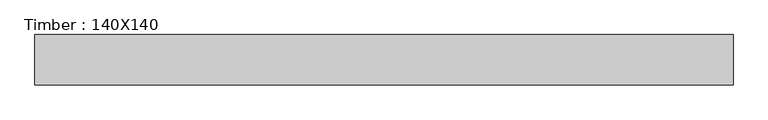
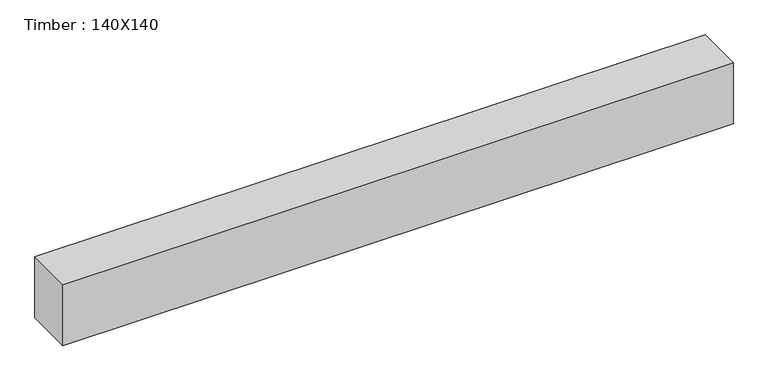
"""IFC4 building model written with IfcOpenShell, lengths in millimetres: beam geometry, Timber : 140X140."""

import ifcopenshell
import ifcopenshell.guid

model = None  # the IFC model being written
_history = None  # IfcOwnerHistory: only IFC2X3 demands one
_inside = {}  # id of a spatial element -> (the spatial element, [elements in it])
_under = {}  # id of a project, library or spatial element -> (it, [spatial elements below it])
_declared = {}  # id of a project -> (the project, [libraries it declares])
_typed = {}  # id of a type object -> (the type object, [elements of that type])
_made_of = {}  # id of a material, layer set ... -> (it, [elements and type objects made of it])


def new_model(schema):
    """Start an empty IFC model of exactly this schema.

    Asked for "IFC4X3", IfcOpenShell would pick the latest addendum, in which some entities
    have other attributes; the version numbers below select the first issue.
    IFC2X3 requires an IfcOwnerHistory on every rooted entity: one is made here for all.
    """
    global model, _history
    if schema == "IFC4X3":
        model = ifcopenshell.file(schema_version=(4, 3, 0, 0))
    else:
        model = ifcopenshell.file(schema=schema)
    _inside.clear()
    _under.clear()
    _declared.clear()
    _typed.clear()
    _made_of.clear()
    _history = None
    if model.schema == "IFC2X3":
        org = make("IfcOrganization", Name="unknown")
        user = make(
            "IfcPersonAndOrganization",
            ThePerson=make("IfcPerson", FamilyName="unknown"),
            TheOrganization=org,
        )
        app = make(
            "IfcApplication",
            ApplicationDeveloper=org,
            Version="unknown",
            ApplicationFullName="unknown",
            ApplicationIdentifier="unknown",
        )
        _history = make(
            "IfcOwnerHistory",
            OwningUser=user,
            OwningApplication=app,
            ChangeAction="ADDED",
            CreationDate=0,
        )
    return model


def make(cls, **values):
    """One entity of the class cls with the attributes given. An attribute that is None is left unset."""
    return model.create_entity(
        cls, **{name: value for name, value in values.items() if value is not None}
    )


def rooted(cls, **values):
    """An entity with a GlobalId (a new one), such as an element, a storey or a relation."""
    return make(cls, GlobalId=ifcopenshell.guid.new(), OwnerHistory=_history, **values)


def si_unit(unit_type, name, prefix=None):
    """IfcSIUnit, for example si_unit("LENGTHUNIT", "METRE", prefix="MILLI")."""
    return make("IfcSIUnit", UnitType=unit_type, Prefix=prefix, Name=name)


def assignment(units):
    """IfcUnitAssignment: the units of a project."""
    return None if units is None else make("IfcUnitAssignment", Units=units)


def point(xyz):
    """IfcCartesianPoint."""
    return None if xyz is None else make("IfcCartesianPoint", Coordinates=xyz)


def direction(xyz):
    """IfcDirection."""
    return None if xyz is None else make("IfcDirection", DirectionRatios=xyz)


def frame(location, z_axis=None, x_axis=None):
    """IfcAxis2Placement3D, a coordinate frame: its origin and axes. An axis left out is left unset."""
    return make(
        "IfcAxis2Placement3D",
        Location=point(location),
        Axis=direction(z_axis),
        RefDirection=direction(x_axis),
    )


def origin():
    """The frame at (0, 0, 0) with its axes left unset."""
    return frame((0.0, 0.0, 0.0))


def place(relative_to, where):
    """IfcLocalPlacement: puts the frame where relative to a parent placement (None: the world)."""
    return make(
        "IfcLocalPlacement", PlacementRelTo=relative_to, RelativePlacement=where
    )


def context(
    kind, dimensions, precision=None, world=None, true_north=None, identifier=None
):
    """IfcGeometricRepresentationContext, for example the 3D "Model" context."""
    return make(
        "IfcGeometricRepresentationContext",
        ContextIdentifier=identifier,
        ContextType=kind,
        CoordinateSpaceDimension=dimensions,
        Precision=precision,
        WorldCoordinateSystem=world,
        TrueNorth=true_north,
    )


def project(units=None, contexts=None):
    """IfcProject with its units and contexts."""
    return rooted(
        "IfcProject",
        Name="project",
        RepresentationContexts=contexts,
        UnitsInContext=assignment(units),
    )


def spatial(cls, under=None, at=None, **own):
    """A site, building, storey or space (cls), placed at a placement, below another one or the project."""
    s = rooted(cls, ObjectPlacement=at, **own)
    if under is not None:
        _under.setdefault(under.id(), (under, []))[1].append(s)
    return s


def polyline(points):
    """IfcPolyline through the points."""
    return make("IfcPolyline", Points=[point(p) for p in points])


def outline(outer, holes=None, kind="AREA"):
    """IfcArbitraryClosedProfileDef: a profile drawn as a closed curve; with holes, ...WithVoids."""
    if holes is None:
        return make("IfcArbitraryClosedProfileDef", ProfileType=kind, OuterCurve=outer)
    return make(
        "IfcArbitraryProfileDefWithVoids",
        ProfileType=kind,
        OuterCurve=outer,
        InnerCurves=holes,
    )


def extrude(swept, where, along, depth):
    """IfcExtrudedAreaSolid: the profile swept, set in the frame where, extruded along a direction by depth."""
    return make(
        "IfcExtrudedAreaSolid",
        SweptArea=swept,
        Position=where,
        ExtrudedDirection=direction(along),
        Depth=depth,
    )


def shape(context_of_items, identifier, shape_type, items):
    """IfcShapeRepresentation: the items that make up one representation, for example the "Body"."""
    return make(
        "IfcShapeRepresentation",
        ContextOfItems=context_of_items,
        RepresentationIdentifier=identifier,
        RepresentationType=shape_type,
        Items=items,
    )


def source(mapping_origin, context_of_items, identifier, shape_type, items):
    """IfcRepresentationMap: a shape defined once, which mapped items show again and again."""
    return make(
        "IfcRepresentationMap",
        MappingOrigin=mapping_origin,
        MappedRepresentation=shape(context_of_items, identifier, shape_type, items),
    )


def transform(
    local_origin,
    x_axis=None,
    y_axis=None,
    z_axis=None,
    scale=None,
    scale2=None,
    scale3=None,
    uniform=True,
):
    """IfcCartesianTransformationOperator3D, or its non-uniform kind. x_axis, y_axis, z_axis: its Axis1, 2, 3."""
    if uniform:
        return make(
            "IfcCartesianTransformationOperator3D",
            Axis1=direction(x_axis),
            Axis2=direction(y_axis),
            LocalOrigin=point(local_origin),
            Scale=scale,
            Axis3=direction(z_axis),
        )
    return make(
        "IfcCartesianTransformationOperator3DnonUniform",
        Axis1=direction(x_axis),
        Axis2=direction(y_axis),
        LocalOrigin=point(local_origin),
        Scale=scale,
        Axis3=direction(z_axis),
        Scale2=scale2,
        Scale3=scale3,
    )


def mapped(mapping_source, mapping_target):
    """IfcMappedItem: shows the shape of a source again, moved by a transform."""
    return make(
        "IfcMappedItem", MappingSource=mapping_source, MappingTarget=mapping_target
    )


def made_of(thing, what):
    """Note that an element or type object is made of a material, layer set ...; save() writes the relation."""
    if what is not None:
        _made_of.setdefault(what.id(), (what, []))[1].append(thing)
    return thing


def element(
    cls,
    number,
    at=None,
    inside=None,
    cuts=None,
    type_object=None,
    material=None,
    context=None,
    identifier="Body",
    shape_type=None,
    held_by="IfcProductDefinitionShape",
    body=None,
    shapes=None,
    **own,
):
    """One element of the class cls, such as IfcWall. Its Tag is "e" and its number.

    at: its placement. inside: the storey or other place that contains it. cuts: it is an
    opening in that element (IfcRelVoidsElement). A single representation is given by context,
    identifier, shape_type and body (its items); several are given by shapes. held_by: the class
    of the entity that holds the representations. save() writes the other relations.
    """
    e = rooted(cls, Tag="e%d" % number, ObjectPlacement=at, **own)
    if body is not None:
        shapes = [shape(context, identifier, shape_type, body)]
    if shapes is not None:
        e.Representation = make(held_by, Representations=shapes)
    if inside is not None:
        _inside.setdefault(inside.id(), (inside, []))[1].append(e)
    if cuts is not None:
        rooted(
            "IfcRelVoidsElement", RelatingBuildingElement=cuts, RelatedOpeningElement=e
        )
    if type_object is not None:
        _typed.setdefault(type_object.id(), (type_object, []))[1].append(e)
    return made_of(e, material)


def aggregate(whole, parts):
    """IfcRelAggregates: a whole, such as a stair, and the parts it consists of."""
    return rooted("IfcRelAggregates", RelatingObject=whole, RelatedObjects=parts)


def save(model, path):
    """Write the relations noted so far, then the file.

    IfcRelAggregates (storeys below a building ...), IfcRelContainedInSpatialStructure (elements
    in a storey), IfcRelDefinesByType, IfcRelAssociatesMaterial and IfcRelDeclares: one each for
    every whole, place, type object, material and project.
    """
    for whole, parts in _under.values():
        aggregate(whole, parts)
    for where, things in _inside.values():
        rooted(
            "IfcRelContainedInSpatialStructure",
            RelatedElements=things,
            RelatingStructure=where,
        )
    for kind, things in _typed.values():
        rooted("IfcRelDefinesByType", RelatedObjects=things, RelatingType=kind)
    for what, things in _made_of.values():
        rooted("IfcRelAssociatesMaterial", RelatedObjects=things, RelatingMaterial=what)
    for by, libraries in _declared.values():
        rooted("IfcRelDeclares", RelatingContext=by, RelatedDefinitions=libraries)
    model.write(path)


def timber_140x140_77b85bda(model_context):
    return source(origin(), model_context, "Body", "SweptSolid", [
        extrude(outline(polyline([(4150.0, 300.0), (4150.0, -300.0), (-4150.0, -300.0), (-4150.0, 300.0), (4150.0, 300.0)])), frame((0.0, 0.0, -400.0), z_axis=(0.0, 0.0, 1.0), x_axis=(1.0, 0.0, 0.0)), (0.0, 0.0, 1.0), 800.0),
    ])


if __name__ == "__main__":
    model = new_model("IFC4")
    model_context = context("Model", 3, world=origin())
    ifc_project = project(units=[si_unit("LENGTHUNIT", "METRE", prefix="MILLI")], contexts=[model_context])
    site = spatial("IfcSite", under=ifc_project)
    building = spatial("IfcBuilding", under=site)
    placement = place(None, origin())
    timber_140x140_shape = timber_140x140_77b85bda(model_context)
    element("IfcBeam", 1, ObjectType="Timber : 140X140", at=placement, inside=building, context=model_context, shape_type="MappedRepresentation", body=[
        mapped(timber_140x140_shape, transform((0.0, 0.0, 0.0), x_axis=(1.0, 0.0, 0.0), y_axis=(0.0, 1.0, 0.0), z_axis=(0.0, 0.0, 1.0))),
    ])
    save(model, "model.ifc")
